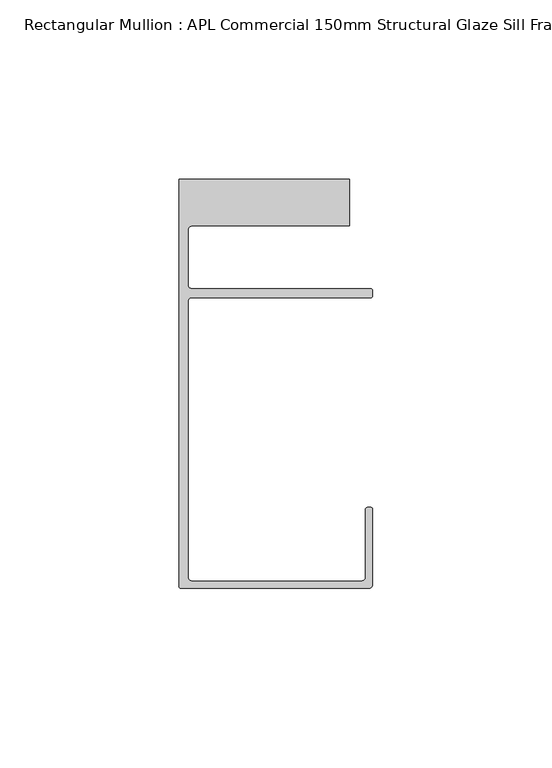
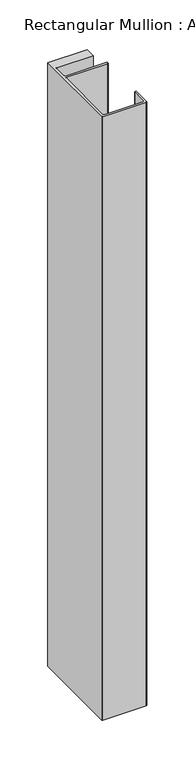
"""IFC4 building model written with IfcOpenShell, lengths in millimetres: member geometry, Rectangular Mullion : APL Commercial 150mm Structural Glaze Sill Frame (Back)."""

from ifc_helpers import new_model, si_unit, frame, origin, place, context, project, spatial, polyline, circle_curve, source, transform, mapped, element, save
from ifc_brep_helpers import plane_surface, cylinder_surface, revolved_surface, advanced_brep


def rectangular_mullion_apl_commercial_150mm_structural_glaze_0c62a414(model_context):
    return source(origin(), model_context, "Body", "AdvancedBrep", [
        advanced_brep(
        [(-53.5000083, -129.0001071, 0.0), (-1.0000079, -129.0001071, 0.0), (-7.9e-06, -128.0001071, 0.0), (0.0, -107.0001071, 0.0), (-0.5, -106.5001071, 0.0), (-1.4999822, -106.5001071, 0.0), (-1.9999822, -107.0001071, 0.0), (-1.9999982, -126.0001071, 0.0), (-2.9999982, -127.0001071, 0.0), (-50.5000083, -127.00011, 0.0), (-51.5000083, -126.00011, 0.0), (-51.5000225, -48.9999541, 0.0), (-50.482081, -48.000115, 0.0), (-0.5000012, -48.000115, 0.0), (-5.4e-06, -47.5021598, 0.0), (-5.4e-06, -46.0213357, 0.0), (-0.521387, -45.4999541, 0.0), (-50.500032, -45.4999541, 0.0), (-51.500032, -44.4999541, 0.0), (-51.500032, -29.0004332, 0.0), (-50.500032, -28.0004332, 0.0), (-6.5000083, -28.0004332, 0.0), (-6.5000083, -15.0004332, 0.0), (-54.0000083, -15.0004332, 0.0), (-54.0000083, -128.5001071, 0.0), (-53.5000083, -129.0001071, -771.4594221), (-54.0000083, -128.5001071, -771.4594221), (-54.0000083, -15.0004332, -771.4594221), (-6.5000083, -15.0004332, -771.4594221), (-6.5000083, -28.0004332, -771.4594221), (-50.500032, -28.0004332, -771.4594221), (-51.500032, -29.0004332, -771.4594221), (-51.500032, -44.4999541, -771.4594221), (-50.500032, -45.4999541, -771.4594221), (-0.521387, -45.4999541, -771.4594221), (-5.4e-06, -46.0213357, -771.4594221), (-5.4e-06, -47.5021598, -771.4594221), (-0.5000012, -48.000115, -771.4594221), (-50.482081, -48.000115, -771.4594221), (-51.5000225, -48.9999541, -771.4594221), (-51.5000225, -126.00011, -771.4594221), (-50.5000083, -127.00011, -771.4594221), (-2.9999982, -127.00011, -771.4594221), (-1.9999982, -126.0001071, -771.4594221), (-1.9999982, -107.0001071, -771.4594221), (-1.4999822, -106.5001071, -771.4594221), (-0.5, -106.5001071, -771.4594221), (0.0, -107.0001071, -771.4594221), (0.0, -128.0001071, -771.4594221), (-1.0000079, -129.0001071, -771.4594221)],
        [
            (0, 1),
            (1, 2, circle_curve(frame((-1.0000079, -128.0001071, 0.0), z_axis=(0.0, 0.0, 1.0), x_axis=(0.9999999999996143, -8.78371761103865e-07, 0.0)), 1.0)),
            (2, 3),
            (3, 4, circle_curve(frame((-0.5, -107.0001071, 0.0), z_axis=(0.0, 0.0, 1.0), x_axis=(0.0, 1.0, 0.0)), 0.5)),
            (4, 5),
            (5, 6, circle_curve(frame((-1.4999822, -107.0001071, 0.0), z_axis=(0.0, 0.0, 1.0), x_axis=(-1.0, 1.039279773351609e-08, 0.0)), 0.5)),
            (6, 7),
            (7, 8, circle_curve(frame((-2.9999982, -126.0001071, 0.0), z_axis=(0.0, 0.0, -1.0), x_axis=(0.0, -1.0, 0.0)), 1.0)),
            (8, 9),
            (9, 10, circle_curve(frame((-50.5000083, -126.00011, 0.0), z_axis=(0.0, 0.0, -1.0), x_axis=(-1.0, -3.636202450239078e-12, 0.0)), 1.0)),
            (10, 11),
            (11, 12, circle_curve(frame((-50.5000225, -48.9999541, 0.0), z_axis=(0.0, 0.0, -1.0), x_axis=(3.5344775231070867e-06, 0.9999999999937538, 0.0)), 1.0)),
            (12, 13),
            (13, 14, circle_curve(frame((-0.5000012, -47.500115, 0.0), z_axis=(0.0, 0.0, 1.0), x_axis=(0.9999999999999991, 4.5120271963110614e-08, 0.0)), 0.5)),
            (14, 15),
            (15, 16, circle_curve(frame((-0.521387, -46.0213357, 0.0), z_axis=(0.0, 0.0, 1.0), x_axis=(-1.0, 0.0, 0.0)), 0.5213816)),
            (16, 17),
            (17, 18, circle_curve(frame((-50.500032, -44.4999541, 0.0), z_axis=(0.0, 0.0, -1.0), x_axis=(-0.9999999999998819, -4.863123717036027e-07, 0.0)), 1.0)),
            (18, 19),
            (19, 20, circle_curve(frame((-50.500032, -29.0004332, 0.0), z_axis=(0.0, 0.0, -1.0), x_axis=(0.0, 1.0, 0.0)), 1.0)),
            (20, 21),
            (21, 22),
            (22, 23),
            (23, 24),
            (24, 0, circle_curve(frame((-53.5000083, -128.5001071, 0.0), z_axis=(0.0, 0.0, 1.0), x_axis=(0.0, -1.0, 0.0)), 0.5)),
            (25, 26, circle_curve(frame((-53.5000083, -128.5001071, -771.4594221), z_axis=(0.0, 0.0, -1.0), x_axis=(0.0, -1.0, 0.0)), 0.5)),
            (26, 27),
            (27, 28),
            (28, 29),
            (29, 30),
            (30, 31, circle_curve(frame((-50.500032, -29.0004332, -771.4594221), z_axis=(0.0, 0.0, 1.0), x_axis=(0.0, 1.0, 0.0)), 1.0)),
            (31, 32),
            (32, 33, circle_curve(frame((-50.500032, -44.4999541, -771.4594221), z_axis=(0.0, 0.0, 1.0), x_axis=(-0.9999999999998819, -4.863123717036027e-07, 0.0)), 1.0)),
            (33, 34),
            (34, 35, circle_curve(frame((-0.521387, -46.0213357, -771.4594221), z_axis=(0.0, 0.0, -1.0), x_axis=(-1.0, 0.0, 0.0)), 0.5213816)),
            (35, 36),
            (36, 37, circle_curve(frame((-0.5000012, -47.500115, -771.4594221), z_axis=(0.0, 0.0, -1.0), x_axis=(0.9999999999999991, 4.5120271963110614e-08, 0.0)), 0.5)),
            (37, 38),
            (38, 39, circle_curve(frame((-50.5000225, -48.9999541, -771.4594221), z_axis=(0.0, 0.0, 1.0), x_axis=(3.5344775231070867e-06, 0.9999999999937538, 0.0)), 1.0)),
            (39, 40),
            (40, 41, circle_curve(frame((-50.5000083, -126.00011, -771.4594221), z_axis=(0.0, 0.0, 1.0), x_axis=(-1.0, -3.636202450239078e-12, 0.0)), 1.0)),
            (41, 42),
            (42, 43, circle_curve(frame((-2.9999982, -126.0001071, -771.4594221), z_axis=(0.0, 0.0, 1.0), x_axis=(0.0, -1.0, 0.0)), 1.0)),
            (43, 44),
            (44, 45, circle_curve(frame((-1.4999822, -107.0001071, -771.4594221), z_axis=(0.0, 0.0, -1.0), x_axis=(-1.0, 1.039279773351609e-08, 0.0)), 0.5)),
            (45, 46),
            (46, 47, circle_curve(frame((-0.5, -107.0001071, -771.4594221), z_axis=(0.0, 0.0, -1.0), x_axis=(0.0, 1.0, 0.0)), 0.5)),
            (47, 48),
            (48, 49, circle_curve(frame((-1.0000079, -128.0001071, -771.4594221), z_axis=(0.0, 0.0, -1.0), x_axis=(0.9999999999996143, -8.78371761103865e-07, 0.0)), 1.0)),
            (49, 25),
            (0, 25),
            (49, 1),
            (48, 2),
            (47, 3),
            (46, 4),
            (45, 5),
            (44, 6),
            (43, 7),
            (42, 8),
            (41, 9),
            (40, 10),
            (39, 11),
            (38, 12),
            (37, 13),
            (36, 14),
            (35, 15),
            (34, 16),
            (33, 17),
            (32, 18),
            (31, 19),
            (30, 20),
            (29, 21),
            (28, 22),
            (27, 23),
            (26, 24),
        ],
        [
            plane_surface(frame((0.0, -139.6548314, 0.0), z_axis=(0.0, 0.0, 1.0), x_axis=(-1.0, 0.0, 0.0))),
            plane_surface(frame((0.0, -139.6548314, -771.4594221), z_axis=(0.0, 0.0, -1.0), x_axis=(-1.0, 0.0, 0.0))),
            plane_surface(frame((-53.5000083, -129.0001071, 0.0), z_axis=(0.0, -1.0, 0.0), x_axis=(0.0, 0.0, -1.0))),
            cylinder_surface(frame((-1.0000079, -128.0001071, 0.0), z_axis=(0.0, 0.0, 1.0000000000000002), x_axis=(0.9999999999996143, -8.78371761103865e-07, 0.0)), 1.0),
            plane_surface(frame((0.0, -128.0001071, 0.0), z_axis=(1.0, 0.0, 0.0), x_axis=(0.0, 0.0, -1.0))),
            cylinder_surface(frame((-0.5, -107.0001071, 0.0), z_axis=(0.0, 0.0, 1.0), x_axis=(0.0, 1.0, 0.0)), 0.5),
            plane_surface(frame((-0.5, -106.5001071, 0.0), z_axis=(0.0, 1.0, 0.0), x_axis=(0.0, 0.0, -1.0))),
            cylinder_surface(frame((-1.4999822, -107.0001071, 0.0), z_axis=(0.0, 0.0, 1.0), x_axis=(-1.0, 1.039279773351609e-08, 0.0)), 0.5),
            plane_surface(frame((-1.9999982, -107.0001071, 0.0), z_axis=(-1.0, 0.0, 0.0), x_axis=(0.0, 0.0, -1.0))),
            revolved_surface(polyline([(-2.9999982, -127.0001071, -771.4594221), (-2.9999982, -127.0001071, 0.0)]), (-2.9999982, -126.0001071, 0.0), (0.0, 0.0, -1.0)),
            plane_surface(frame((-2.9999982, -127.00011, 0.0), z_axis=(0.0, 1.0, 0.0), x_axis=(0.0, 0.0, -1.0))),
            revolved_surface(polyline([(-51.5000083, -126.00011000000364, -771.4594221), (-51.5000083, -126.00011000000364, 0.0)]), (-50.5000083, -126.00011, 0.0), (0.0, 0.0, -1.0)),
            plane_surface(frame((-51.5000225, -126.00011, 0.0), z_axis=(1.0, 0.0, 0.0), x_axis=(0.0, 0.0, -1.0))),
            revolved_surface(polyline([(-50.50001896552248, -47.99995410000624, -771.4594221), (-50.50001896552248, -47.99995410000624, 0.0)]), (-50.5000225, -48.9999541, 0.0), (0.0, 0.0, -1.0)),
            plane_surface(frame((-50.482081, -48.000115, 0.0), z_axis=(0.0, -1.0, 0.0), x_axis=(0.0, 0.0, -1.0))),
            cylinder_surface(frame((-0.5000012, -47.500115, 0.0), z_axis=(0.0, 0.0, 1.0000000000000002), x_axis=(0.9999999999999991, 4.5120271963110614e-08, 0.0)), 0.5),
            plane_surface(frame((-5.4e-06, -47.5021598, 0.0), z_axis=(1.0, 0.0, 0.0), x_axis=(0.0, 0.0, -1.0))),
            cylinder_surface(frame((-0.521387, -46.0213357, 0.0), z_axis=(0.0, 0.0, 1.0), x_axis=(-1.0, 0.0, 0.0)), 0.5213816),
            plane_surface(frame((-0.521387, -45.4999541, 0.0), z_axis=(0.0, 1.0, 0.0), x_axis=(0.0, 0.0, -1.0))),
            revolved_surface(polyline([(-51.50003199999988, -44.49995458631237, -771.4594221000004), (-51.50003199999988, -44.49995458631237, 0.0)]), (-50.500032, -44.4999541, 0.0), (0.0, 0.0, -1.0000000000000002)),
            plane_surface(frame((-51.500032, -44.4999541, 0.0), z_axis=(1.0, 0.0, 0.0), x_axis=(0.0, 0.0, -1.0))),
            revolved_surface(polyline([(-50.500032, -28.0004332, -771.4594221), (-50.500032, -28.0004332, 0.0)]), (-50.500032, -29.0004332, 0.0), (0.0, 0.0, -1.0)),
            plane_surface(frame((-50.500032, -28.0004332, 0.0), z_axis=(0.0, -1.0, 0.0), x_axis=(0.0, 0.0, -1.0))),
            plane_surface(frame((-6.5000083, -28.0004332, 0.0), z_axis=(1.0, 0.0, 0.0), x_axis=(0.0, 0.0, -1.0))),
            plane_surface(frame((-6.5000083, -15.0004332, 0.0), z_axis=(0.0, 1.0, 0.0), x_axis=(0.0, 0.0, -1.0))),
            plane_surface(frame((-54.0000083, -15.0004332, 0.0), z_axis=(-1.0, 0.0, 0.0), x_axis=(0.0, 0.0, -1.0))),
            cylinder_surface(frame((-53.5000083, -128.5001071, 0.0), z_axis=(0.0, 0.0, 1.0), x_axis=(0.0, -1.0, 0.0)), 0.5),
        ],
        [
            (0, [[1, 2, 3, 4, 5, 6, 7, 8, 9, 10, 11, 12, 13, 14, 15, 16, 17, 18, 19, 20, 21, 22, 23, 24, 25]]),
            (1, [[26, 27, 28, 29, 30, 31, 32, 33, 34, 35, 36, 37, 38, 39, 40, 41, 42, 43, 44, 45, 46, 47, 48, 49, 50]]),
            (2, [[-1, 51, -50, 52]]),
            (3, [[-2, -52, -49, 53]]),
            (4, [[-3, -53, -48, 54]]),
            (5, [[-4, -54, -47, 55]]),
            (6, [[-5, -55, -46, 56]]),
            (7, [[-6, -56, -45, 57]]),
            (8, [[-7, -57, -44, 58]]),
            (9, [[-8, -58, -43, 59]]),
            (10, [[-9, -59, -42, 60]]),
            (11, [[-10, -60, -41, 61]]),
            (12, [[-11, -61, -40, 62]]),
            (13, [[-12, -62, -39, 63]]),
            (14, [[-13, -63, -38, 64]]),
            (15, [[-14, -64, -37, 65]]),
            (16, [[-15, -65, -36, 66]]),
            (17, [[-16, -66, -35, 67]]),
            (18, [[-17, -67, -34, 68]]),
            (19, [[-18, -68, -33, 69]]),
            (20, [[-19, -69, -32, 70]]),
            (21, [[-20, -70, -31, 71]]),
            (22, [[-21, -71, -30, 72]]),
            (23, [[-22, -72, -29, 73]]),
            (24, [[-23, -73, -28, 74]]),
            (25, [[-24, -74, -27, 75]]),
            (26, [[-25, -75, -26, -51]]),
        ],
    ),
    ])


if __name__ == "__main__":
    model = new_model("IFC4")
    model_context = context("Model", 3, world=origin())
    ifc_project = project(units=[si_unit("LENGTHUNIT", "METRE", prefix="MILLI")], contexts=[model_context])
    site = spatial("IfcSite", under=ifc_project)
    building = spatial("IfcBuilding", under=site)
    placement = place(None, origin())
    rectangular_mullion_apl_commercial_150mm_structural_glaze_shape = rectangular_mullion_apl_commercial_150mm_structural_glaze_0c62a414(model_context)
    element("IfcMember", 1, ObjectType="Rectangular Mullion : APL Commercial 150mm Structural Glaze Sill Frame (Back)", at=placement, inside=building, context=model_context, shape_type="MappedRepresentation", body=[
        mapped(rectangular_mullion_apl_commercial_150mm_structural_glaze_shape, transform((0.0, 0.0, 0.0), x_axis=(1.0, 0.0, 0.0), y_axis=(0.0, 1.0, 0.0), z_axis=(0.0, 0.0, 1.0))),
    ])
    save(model, "model.ifc")
